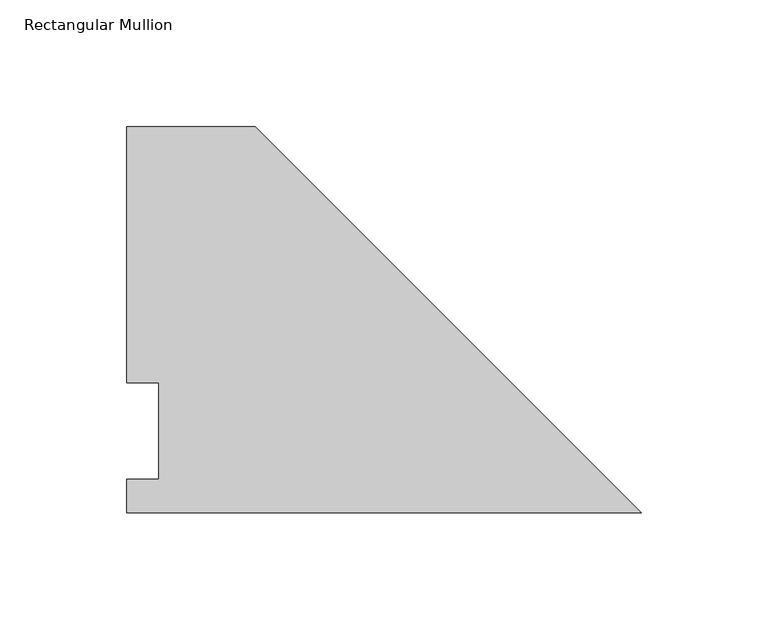
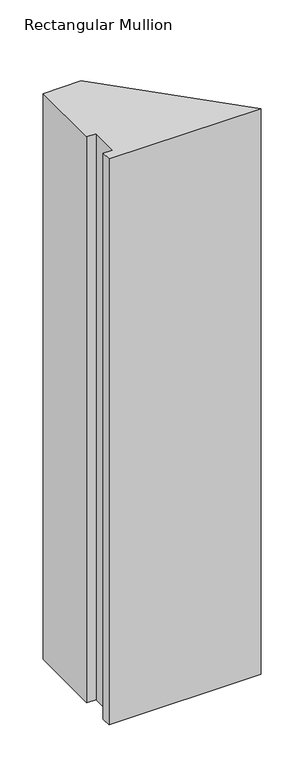
"""IFC4 building model written with IfcOpenShell, lengths in millimetres: member geometry, Rectangular Mullion."""

import ifcopenshell
import ifcopenshell.guid

model = None  # the IFC model being written
_history = None  # IfcOwnerHistory: only IFC2X3 demands one
_inside = {}  # id of a spatial element -> (the spatial element, [elements in it])
_under = {}  # id of a project, library or spatial element -> (it, [spatial elements below it])
_declared = {}  # id of a project -> (the project, [libraries it declares])
_typed = {}  # id of a type object -> (the type object, [elements of that type])
_made_of = {}  # id of a material, layer set ... -> (it, [elements and type objects made of it])


def new_model(schema):
    """Start an empty IFC model of exactly this schema.

    Asked for "IFC4X3", IfcOpenShell would pick the latest addendum, in which some entities
    have other attributes; the version numbers below select the first issue.
    IFC2X3 requires an IfcOwnerHistory on every rooted entity: one is made here for all.
    """
    global model, _history
    if schema == "IFC4X3":
        model = ifcopenshell.file(schema_version=(4, 3, 0, 0))
    else:
        model = ifcopenshell.file(schema=schema)
    _inside.clear()
    _under.clear()
    _declared.clear()
    _typed.clear()
    _made_of.clear()
    _history = None
    if model.schema == "IFC2X3":
        org = make("IfcOrganization", Name="unknown")
        user = make(
            "IfcPersonAndOrganization",
            ThePerson=make("IfcPerson", FamilyName="unknown"),
            TheOrganization=org,
        )
        app = make(
            "IfcApplication",
            ApplicationDeveloper=org,
            Version="unknown",
            ApplicationFullName="unknown",
            ApplicationIdentifier="unknown",
        )
        _history = make(
            "IfcOwnerHistory",
            OwningUser=user,
            OwningApplication=app,
            ChangeAction="ADDED",
            CreationDate=0,
        )
    return model


def make(cls, **values):
    """One entity of the class cls with the attributes given. An attribute that is None is left unset."""
    return model.create_entity(
        cls, **{name: value for name, value in values.items() if value is not None}
    )


def rooted(cls, **values):
    """An entity with a GlobalId (a new one), such as an element, a storey or a relation."""
    return make(cls, GlobalId=ifcopenshell.guid.new(), OwnerHistory=_history, **values)


def si_unit(unit_type, name, prefix=None):
    """IfcSIUnit, for example si_unit("LENGTHUNIT", "METRE", prefix="MILLI")."""
    return make("IfcSIUnit", UnitType=unit_type, Prefix=prefix, Name=name)


def assignment(units):
    """IfcUnitAssignment: the units of a project."""
    return None if units is None else make("IfcUnitAssignment", Units=units)


def point(xyz):
    """IfcCartesianPoint."""
    return None if xyz is None else make("IfcCartesianPoint", Coordinates=xyz)


def direction(xyz):
    """IfcDirection."""
    return None if xyz is None else make("IfcDirection", DirectionRatios=xyz)


def frame(location, z_axis=None, x_axis=None):
    """IfcAxis2Placement3D, a coordinate frame: its origin and axes. An axis left out is left unset."""
    return make(
        "IfcAxis2Placement3D",
        Location=point(location),
        Axis=direction(z_axis),
        RefDirection=direction(x_axis),
    )


def origin():
    """The frame at (0, 0, 0) with its axes left unset."""
    return frame((0.0, 0.0, 0.0))


def place(relative_to, where):
    """IfcLocalPlacement: puts the frame where relative to a parent placement (None: the world)."""
    return make(
        "IfcLocalPlacement", PlacementRelTo=relative_to, RelativePlacement=where
    )


def context(
    kind, dimensions, precision=None, world=None, true_north=None, identifier=None
):
    """IfcGeometricRepresentationContext, for example the 3D "Model" context."""
    return make(
        "IfcGeometricRepresentationContext",
        ContextIdentifier=identifier,
        ContextType=kind,
        CoordinateSpaceDimension=dimensions,
        Precision=precision,
        WorldCoordinateSystem=world,
        TrueNorth=true_north,
    )


def project(units=None, contexts=None):
    """IfcProject with its units and contexts."""
    return rooted(
        "IfcProject",
        Name="project",
        RepresentationContexts=contexts,
        UnitsInContext=assignment(units),
    )


def spatial(cls, under=None, at=None, **own):
    """A site, building, storey or space (cls), placed at a placement, below another one or the project."""
    s = rooted(cls, ObjectPlacement=at, **own)
    if under is not None:
        _under.setdefault(under.id(), (under, []))[1].append(s)
    return s


def polyline(points):
    """IfcPolyline through the points."""
    return make("IfcPolyline", Points=[point(p) for p in points])


def outline(outer, holes=None, kind="AREA"):
    """IfcArbitraryClosedProfileDef: a profile drawn as a closed curve; with holes, ...WithVoids."""
    if holes is None:
        return make("IfcArbitraryClosedProfileDef", ProfileType=kind, OuterCurve=outer)
    return make(
        "IfcArbitraryProfileDefWithVoids",
        ProfileType=kind,
        OuterCurve=outer,
        InnerCurves=holes,
    )


def extrude(swept, where, along, depth):
    """IfcExtrudedAreaSolid: the profile swept, set in the frame where, extruded along a direction by depth."""
    return make(
        "IfcExtrudedAreaSolid",
        SweptArea=swept,
        Position=where,
        ExtrudedDirection=direction(along),
        Depth=depth,
    )


def shape(context_of_items, identifier, shape_type, items):
    """IfcShapeRepresentation: the items that make up one representation, for example the "Body"."""
    return make(
        "IfcShapeRepresentation",
        ContextOfItems=context_of_items,
        RepresentationIdentifier=identifier,
        RepresentationType=shape_type,
        Items=items,
    )


def source(mapping_origin, context_of_items, identifier, shape_type, items):
    """IfcRepresentationMap: a shape defined once, which mapped items show again and again."""
    return make(
        "IfcRepresentationMap",
        MappingOrigin=mapping_origin,
        MappedRepresentation=shape(context_of_items, identifier, shape_type, items),
    )


def transform(
    local_origin,
    x_axis=None,
    y_axis=None,
    z_axis=None,
    scale=None,
    scale2=None,
    scale3=None,
    uniform=True,
):
    """IfcCartesianTransformationOperator3D, or its non-uniform kind. x_axis, y_axis, z_axis: its Axis1, 2, 3."""
    if uniform:
        return make(
            "IfcCartesianTransformationOperator3D",
            Axis1=direction(x_axis),
            Axis2=direction(y_axis),
            LocalOrigin=point(local_origin),
            Scale=scale,
            Axis3=direction(z_axis),
        )
    return make(
        "IfcCartesianTransformationOperator3DnonUniform",
        Axis1=direction(x_axis),
        Axis2=direction(y_axis),
        LocalOrigin=point(local_origin),
        Scale=scale,
        Axis3=direction(z_axis),
        Scale2=scale2,
        Scale3=scale3,
    )


def mapped(mapping_source, mapping_target):
    """IfcMappedItem: shows the shape of a source again, moved by a transform."""
    return make(
        "IfcMappedItem", MappingSource=mapping_source, MappingTarget=mapping_target
    )


def made_of(thing, what):
    """Note that an element or type object is made of a material, layer set ...; save() writes the relation."""
    if what is not None:
        _made_of.setdefault(what.id(), (what, []))[1].append(thing)
    return thing


def element(
    cls,
    number,
    at=None,
    inside=None,
    cuts=None,
    type_object=None,
    material=None,
    context=None,
    identifier="Body",
    shape_type=None,
    held_by="IfcProductDefinitionShape",
    body=None,
    shapes=None,
    **own,
):
    """One element of the class cls, such as IfcWall. Its Tag is "e" and its number.

    at: its placement. inside: the storey or other place that contains it. cuts: it is an
    opening in that element (IfcRelVoidsElement). A single representation is given by context,
    identifier, shape_type and body (its items); several are given by shapes. held_by: the class
    of the entity that holds the representations. save() writes the other relations.
    """
    e = rooted(cls, Tag="e%d" % number, ObjectPlacement=at, **own)
    if body is not None:
        shapes = [shape(context, identifier, shape_type, body)]
    if shapes is not None:
        e.Representation = make(held_by, Representations=shapes)
    if inside is not None:
        _inside.setdefault(inside.id(), (inside, []))[1].append(e)
    if cuts is not None:
        rooted(
            "IfcRelVoidsElement", RelatingBuildingElement=cuts, RelatedOpeningElement=e
        )
    if type_object is not None:
        _typed.setdefault(type_object.id(), (type_object, []))[1].append(e)
    return made_of(e, material)


def aggregate(whole, parts):
    """IfcRelAggregates: a whole, such as a stair, and the parts it consists of."""
    return rooted("IfcRelAggregates", RelatingObject=whole, RelatedObjects=parts)


def save(model, path):
    """Write the relations noted so far, then the file.

    IfcRelAggregates (storeys below a building ...), IfcRelContainedInSpatialStructure (elements
    in a storey), IfcRelDefinesByType, IfcRelAssociatesMaterial and IfcRelDeclares: one each for
    every whole, place, type object, material and project.
    """
    for whole, parts in _under.values():
        aggregate(whole, parts)
    for where, things in _inside.values():
        rooted(
            "IfcRelContainedInSpatialStructure",
            RelatedElements=things,
            RelatingStructure=where,
        )
    for kind, things in _typed.values():
        rooted("IfcRelDefinesByType", RelatedObjects=things, RelatingType=kind)
    for what, things in _made_of.values():
        rooted("IfcRelAssociatesMaterial", RelatedObjects=things, RelatingMaterial=what)
    for by, libraries in _declared.values():
        rooted("IfcRelDeclares", RelatingContext=by, RelatedDefinitions=libraries)
    model.write(path)


def rectangular_mullion_c3af24b1(model_context):
    return source(origin(), model_context, "Body", "SweptSolid", [
        extrude(outline(polyline([(-203.2853182, 0.0134937), (-203.2853182, 13.1960938), (-190.5853182, 13.1960938), (-190.5853182, 51.2960937), (-203.2853182, 51.2960937), (-203.2853182, 152.4988119), (-152.4853182, 152.4988119), (0.0, 0.0134937), (-203.2853182, 0.0134937)])), frame((0.0, 0.0, -800.1), z_axis=(0.0, 0.0, 1.0), x_axis=(1.0, 0.0, 0.0)), (0.0, 0.0, 1.0), 800.1),
    ])


if __name__ == "__main__":
    model = new_model("IFC4")
    model_context = context("Model", 3, world=origin())
    ifc_project = project(units=[si_unit("LENGTHUNIT", "METRE", prefix="MILLI")], contexts=[model_context])
    site = spatial("IfcSite", under=ifc_project)
    building = spatial("IfcBuilding", under=site)
    placement = place(None, origin())
    rectangular_mullion_shape = rectangular_mullion_c3af24b1(model_context)
    element("IfcMember", 1, ObjectType="Rectangular Mullion", at=placement, inside=building, context=model_context, shape_type="MappedRepresentation", body=[
        mapped(rectangular_mullion_shape, transform((0.0, 0.0, 0.0), x_axis=(1.0, 0.0, 0.0), y_axis=(0.0, 1.0, 0.0), z_axis=(0.0, 0.0, 1.0))),
    ])
    save(model, "model.ifc")
